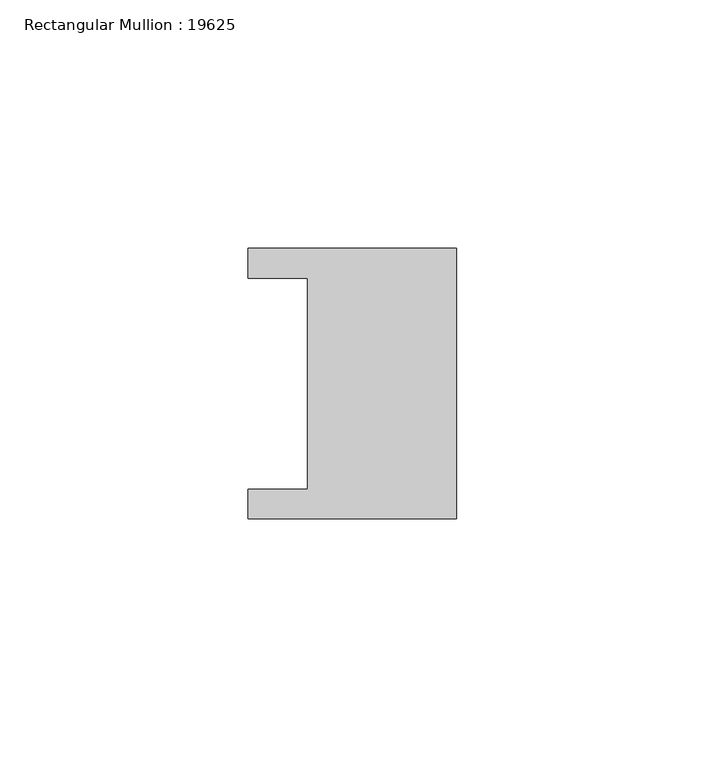
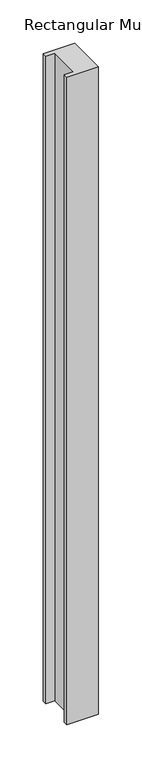
"""IFC4 building model written with IfcOpenShell, lengths in millimetres: member geometry, Rectangular Mullion : 19625."""

from ifc_helpers import new_model, si_unit, frame, origin, place, context, project, spatial, polyline, outline, extrude, source, transform, mapped, element, save


def rectangular_mullion_19625_2ec8308e(model_context):
    return source(origin(), model_context, "Body", "SweptSolid", [
        extrude(outline(polyline([(0.0, -27.25), (-42.0, -27.25), (-42.0, -21.25), (-30.0, -21.25), (-30.0, 21.25), (-42.0, 21.25), (-42.0, 27.25), (0.0, 27.25), (0.0, -27.25)])), frame((0.0, 0.0, -912.3846638), z_axis=(0.0, 0.0, 1.0), x_axis=(1.0, 0.0, 0.0)), (0.0, 0.0, 1.0), 912.3846638),
    ])


if __name__ == "__main__":
    model = new_model("IFC4")
    model_context = context("Model", 3, world=origin())
    ifc_project = project(units=[si_unit("LENGTHUNIT", "METRE", prefix="MILLI")], contexts=[model_context])
    site = spatial("IfcSite", under=ifc_project)
    building = spatial("IfcBuilding", under=site)
    placement = place(None, origin())
    rectangular_mullion_19625_shape = rectangular_mullion_19625_2ec8308e(model_context)
    element("IfcMember", 1, ObjectType="Rectangular Mullion : 19625", at=placement, inside=building, context=model_context, shape_type="MappedRepresentation", body=[
        mapped(rectangular_mullion_19625_shape, transform((0.0, 0.0, 0.0), x_axis=(1.0, 0.0, 0.0), y_axis=(0.0, 1.0, 0.0), z_axis=(0.0, 0.0, 1.0))),
    ])
    save(model, "model.ifc")
